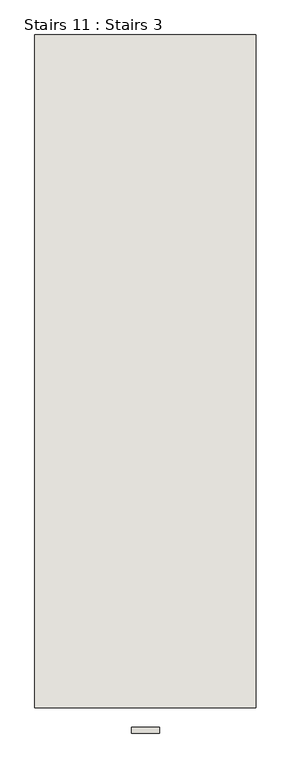
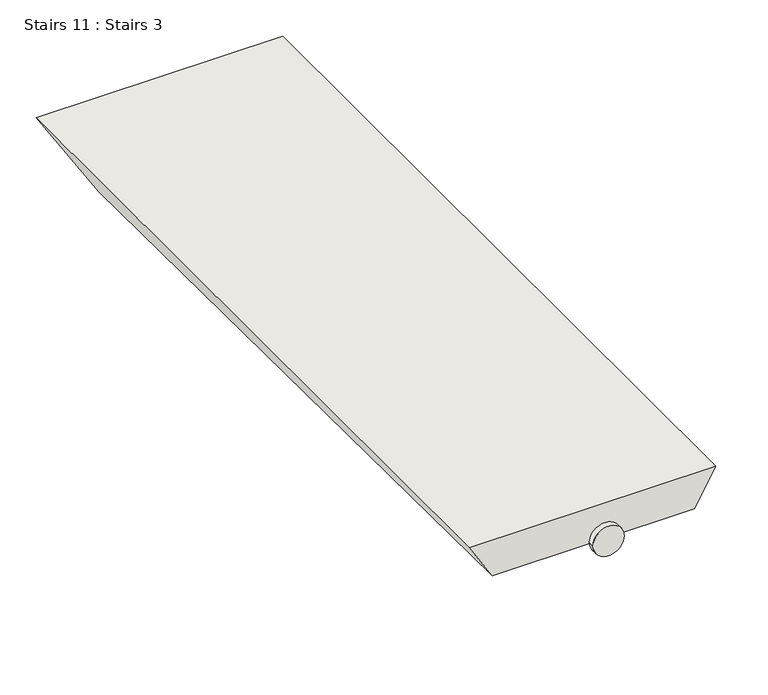
"""IFC4 building model written with IfcOpenShell, lengths in millimetres: wall geometry, Stairs 11 : Stairs 3."""

from ifc_helpers import new_model, si_unit, point, frame, frame_2d, origin, place, context, project, spatial, circle_curve, trimmed, segment, composite_curve, outline, extrude, faceted_brep, source, transform, mapped, element, save


def stairs_11_stairs_3_05716c87(model_context):
    return source(origin(), model_context, "Body", "SolidModel", [
        extrude(outline(composite_curve([segment(trimmed(circle_curve(frame_2d((69395.7134815, 101227.1812187)), 25.0), [point((69395.7134815, 101252.1812187))], [point((69395.7134815, 101202.1812187))], False, "CARTESIAN"), True, "CONTINUOUS"), segment(trimmed(circle_curve(frame_2d((69395.7134815, 101227.1812187)), 25.0), [point((69395.7134815, 101202.1812187))], [point((69395.7134815, 101252.1812187))], False, "CARTESIAN"), True, "CONTINUOUS")], self_intersect=False)), frame((0.0, -36520.9230841, 0.0), z_axis=(0.0, 1.0, 0.0), x_axis=(0.0, 0.0, 1.0)), (0.0, 0.0, 1.0), 10.0),
        faceted_brep([(101424.5281984, -36475.9230841, 69425.7134815), (101029.834239, -36475.9230841, 69425.7134815), (101067.3264001, -36475.9230841, 69365.7134815), (101389.8871823, -36475.9230841, 69365.7134815), (101029.834239, -35275.9230841, 69425.7134815), (101424.5281984, -35275.9230841, 69425.7134815), (101332.1521553, -35275.9230841, 69265.7134815), (101129.8133353, -35275.9230841, 69265.7134815)], [[[0, 1, 2, 3]], [[4, 5, 6, 7]], [[5, 4, 1, 0]], [[7, 6, 3, 2]], [[2, 1, 4, 7]], [[0, 3, 6, 5]]]),
    ])


if __name__ == "__main__":
    model = new_model("IFC4")
    model_context = context("Model", 3, world=origin())
    ifc_project = project(units=[si_unit("LENGTHUNIT", "METRE", prefix="MILLI")], contexts=[model_context])
    site = spatial("IfcSite", under=ifc_project)
    building = spatial("IfcBuilding", under=site)
    placement = place(None, origin())
    stairs_11_stairs_3_shape = stairs_11_stairs_3_05716c87(model_context)
    element("IfcWall", 1, ObjectType="Stairs 11 : Stairs 3", at=placement, inside=building, context=model_context, shape_type="MappedRepresentation", body=[
        mapped(stairs_11_stairs_3_shape, transform((0.0, 0.0, 0.0), x_axis=(1.0, 0.0, 0.0), y_axis=(0.0, 1.0, 0.0), z_axis=(0.0, 0.0, 1.0))),
    ])
    save(model, "model.ifc")
